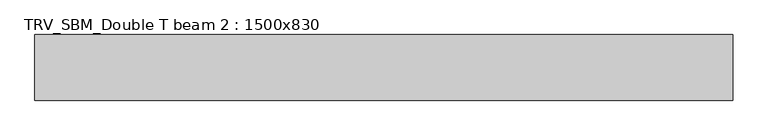
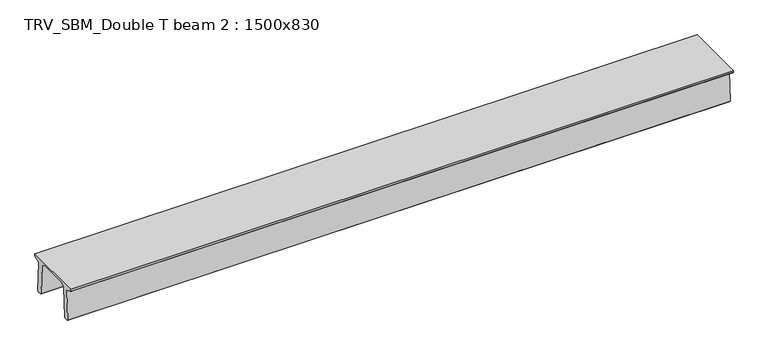
"""IFC4 building model written with IfcOpenShell, lengths in millimetres: beam geometry, TRV_SBM_Double T beam 2 : 1500x830."""

from ifc_helpers import new_model, si_unit, frame, origin, place, context, project, spatial, polyline, outline, extrude, source, transform, mapped, element, save


def trv_sbm_double_t_beam_2_1500x830_69f0af00(model_context):
    return source(origin(), model_context, "Body", "SweptSolid", [
        extrude(outline(polyline([(337.4555014, 470.0), (-343.4555014, 470.0), (-456.5828437, 409.8491251), (-494.786332, -340.5206011), (-514.2657308, -360.0), (-604.2657308, -360.0), (-624.8277662, -339.4379646), (-586.9373878, 401.9654693), (-752.8511046, 468.9989621), (-753.0, 475.0), (-753.0, 520.0), (747.0, 520.0), (747.0, 475.0), (746.8511046, 468.9989621), (580.9373878, 401.9654693), (618.8277662, -339.4379646), (598.2657308, -360.0), (508.2657308, -360.0), (488.786332, -340.5206011), (450.5828437, 409.8491251), (337.4555014, 470.0)])), frame((-7980.0, 0.0, 0.0), z_axis=(1.0, 0.0, 0.0), x_axis=(0.0, 1.0, 0.0)), (0.0, 0.0, 1.0), 15960.0),
    ])


if __name__ == "__main__":
    model = new_model("IFC4")
    model_context = context("Model", 3, world=origin())
    ifc_project = project(units=[si_unit("LENGTHUNIT", "METRE", prefix="MILLI")], contexts=[model_context])
    site = spatial("IfcSite", under=ifc_project)
    building = spatial("IfcBuilding", under=site)
    placement = place(None, origin())
    trv_sbm_double_t_beam_2_1500x830_shape = trv_sbm_double_t_beam_2_1500x830_69f0af00(model_context)
    element("IfcBeam", 1, ObjectType="TRV_SBM_Double T beam 2 : 1500x830", at=placement, inside=building, context=model_context, shape_type="MappedRepresentation", body=[
        mapped(trv_sbm_double_t_beam_2_1500x830_shape, transform((0.0, 0.0, 0.0), x_axis=(1.0, 0.0, 0.0), y_axis=(0.0, 1.0, 0.0), z_axis=(0.0, 0.0, 1.0))),
    ])
    save(model, "model.ifc")
